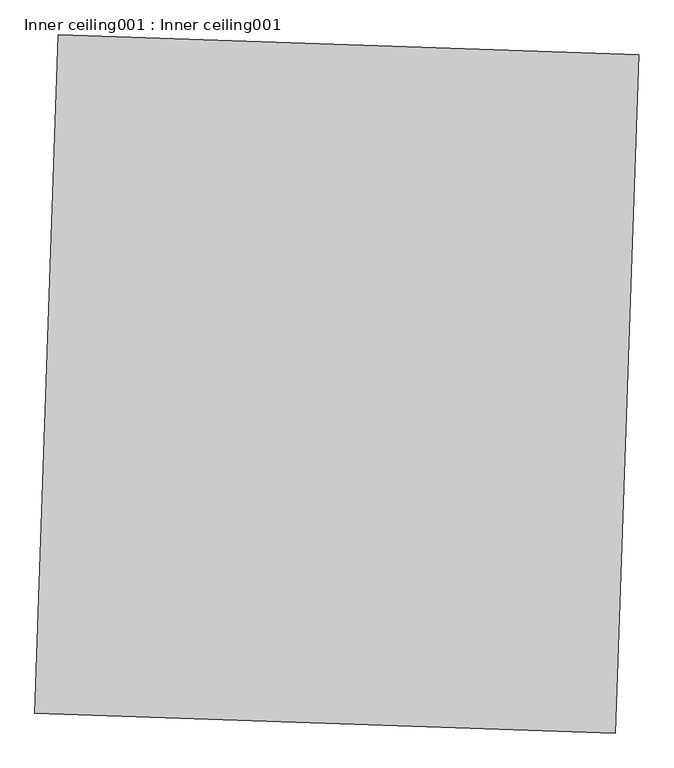
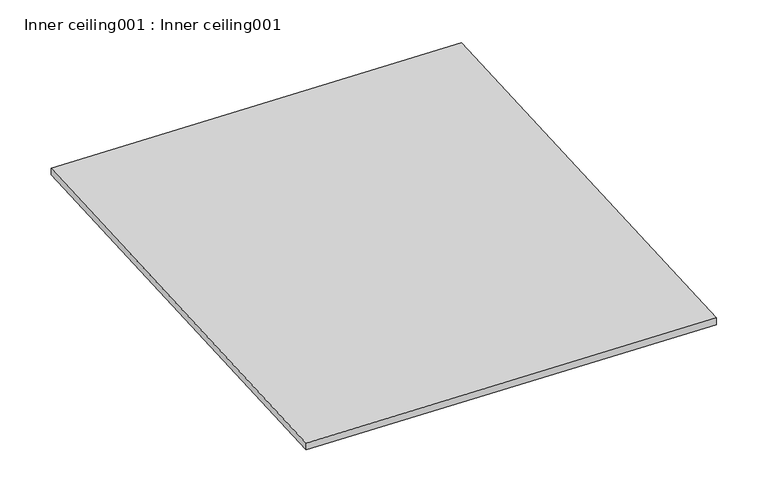
"""IFC4 building model written with IfcOpenShell, lengths in millimetres: proxy geometry, Inner ceiling001 : Inner ceiling001."""

from ifc_helpers import new_model, si_unit, frame, origin, place, context, project, spatial, polyline, outline, extrude, source, transform, mapped, element, save


def inner_ceiling001_inner_ceiling001_31375b41(model_context):
    return source(origin(), model_context, "Body", "SweptSolid", [
        extrude(outline(polyline([(34355.2680219, -15459.5521036), (34318.7299451, -16527.2362453), (33404.8649167, -16495.962136), (33441.4029935, -15428.2779943), (34355.2680219, -15459.5521036)])), frame((0.0, 0.0, 2959.1), z_axis=(0.0, 0.0, 1.0), x_axis=(1.0, 0.0, 0.0)), (0.0, 0.0, 1.0), 15.875),
    ])


if __name__ == "__main__":
    model = new_model("IFC4")
    model_context = context("Model", 3, world=origin())
    ifc_project = project(units=[si_unit("LENGTHUNIT", "METRE", prefix="MILLI")], contexts=[model_context])
    site = spatial("IfcSite", under=ifc_project)
    building = spatial("IfcBuilding", under=site)
    placement = place(None, origin())
    inner_ceiling001_inner_ceiling001_shape = inner_ceiling001_inner_ceiling001_31375b41(model_context)
    element("IfcBuildingElementProxy", 1, Name="Inner ceiling001 : Inner ceiling001", ObjectType="Inner ceiling001 : Inner ceiling001", at=placement, inside=building, context=model_context, shape_type="MappedRepresentation", body=[
        mapped(inner_ceiling001_inner_ceiling001_shape, transform((0.0, 0.0, 0.0), x_axis=(1.0, 0.0, 0.0), y_axis=(0.0, 1.0, 0.0), z_axis=(0.0, 0.0, 1.0))),
    ])
    save(model, "model.ifc")
